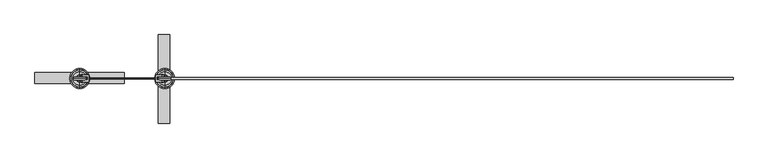
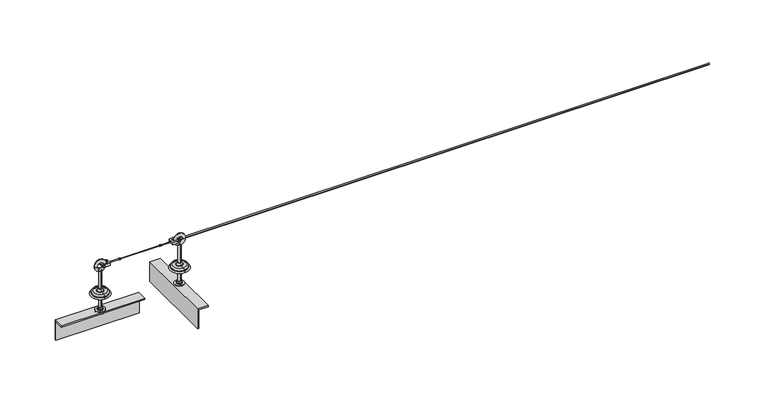
"""IFC4 building model written with IfcOpenShell, lengths in millimetres: proxy geometry."""

from ifc_helpers import new_model, si_unit, point, frame, frame_2d, origin, origin_2d, place, context, project, spatial, polyline, circle_curve, ellipse_curve, trimmed, segment, composite_curve, outline, extrude, source, transform, mapped, element, save
from ifc_brep_helpers import plane_surface, cylinder_surface, revolved_surface, advanced_brep


def specialty_equipment_365703ad(model_context):
    return source(origin(), model_context, "Body", "SolidModel", [
        advanced_brep(
        [(0.0, 45.0, 0.0), (0.0, -45.0, 0.0), (0.0, -7.0, 0.0), (0.0, 7.0, 0.0), (0.0, -7.0, -100.0), (0.0, 7.0, -100.0), (0.0, 0.0, -100.0), (0.0, 0.0, 121.6303144), (0.0, -6.9, 121.6303144), (0.0, 6.9, 121.6303144), (0.0, -6.9, 28.0512021), (0.0, 6.9, 28.0512021), (0.0, 7.995656, 24.9277269), (0.0, -7.995656, 24.9277269), (0.0, -13.6366177, 17.8765248), (0.0, 13.6366177, 17.8765248), (0.0, 17.5409617, 16.0), (0.0, -17.5409617, 16.0), (0.0, -30.1640518, 16.0), (0.0, 30.1640518, 16.0), (0.0, -37.6378375, 8.5262143), (0.0, 37.6378375, 8.5262143), (0.0, -37.6378375, 6.8656759), (0.0, 37.6378375, 6.8656759), (0.0, -38.448306, 5.8712826), (0.0, 38.448306, 5.8712826)],
        [
            (0, 1, circle_curve(frame((0.0, 0.0, 0.0), z_axis=(0.0, 0.0, -1.0), x_axis=(0.0, -1.0, 0.0)), 45.0)),
            (1, 2),
            (2, 3, circle_curve(frame((0.0, 0.0, 0.0), z_axis=(0.0, 0.0, 1.0), x_axis=(0.0, -1.0, 0.0)), 7.0)),
            (3, 0),
            (1, 0, circle_curve(frame((0.0, 0.0, 0.0), z_axis=(0.0, 0.0, -1.0), x_axis=(0.0, -1.0, 0.0)), 45.0)),
            (3, 2, circle_curve(frame((0.0, 0.0, 0.0), z_axis=(0.0, 0.0, 1.0), x_axis=(0.0, -1.0, 0.0)), 7.0)),
            (2, 4),
            (4, 5, circle_curve(frame((0.0, 0.0, -100.0), z_axis=(0.0, 0.0, 1.0), x_axis=(0.0, -1.0, 0.0)), 7.0)),
            (5, 3),
            (5, 4, circle_curve(frame((0.0, 0.0, -100.0), z_axis=(0.0, 0.0, 1.0), x_axis=(0.0, -1.0, 0.0)), 7.0)),
            (4, 6),
            (6, 5),
            (7, 8),
            (8, 9, circle_curve(frame((0.0, 0.0, 121.6303144), z_axis=(0.0, 0.0, 1.0), x_axis=(0.0, -1.0, 0.0)), 6.9)),
            (9, 7),
            (9, 8, circle_curve(frame((0.0, 0.0, 121.6303144), z_axis=(0.0, 0.0, 1.0), x_axis=(0.0, -1.0, 0.0)), 6.9)),
            (8, 10),
            (10, 11, circle_curve(frame((0.0, 0.0, 28.0512021), z_axis=(0.0, 0.0, 1.0), x_axis=(0.0, -1.0, 0.0)), 6.9)),
            (11, 9),
            (11, 10, circle_curve(frame((0.0, 0.0, 28.0512021), z_axis=(0.0, 0.0, 1.0), x_axis=(0.0, -1.0, 0.0)), 6.9)),
            (12, 13, circle_curve(frame((0.0, 0.0, 24.9277269), z_axis=(0.0, 0.0, -1.0), x_axis=(0.0, -1.0, 0.0)), 7.995656)),
            (13, 14),
            (14, 15, circle_curve(frame((0.0, 0.0, 17.8765248), z_axis=(0.0, 0.0, 1.0), x_axis=(0.0, -1.0, 0.0)), 13.6366177)),
            (15, 12),
            (13, 12, circle_curve(frame((0.0, 0.0, 24.9277269), z_axis=(0.0, 0.0, -1.0), x_axis=(0.0, -1.0, 0.0)), 7.995656)),
            (15, 14, circle_curve(frame((0.0, 0.0, 17.8765248), z_axis=(0.0, 0.0, 1.0), x_axis=(0.0, -1.0, 0.0)), 13.6366177)),
            (16, 17, circle_curve(frame((0.0, 0.0, 16.0), z_axis=(0.0, 0.0, -1.0), x_axis=(0.0, -1.0, 0.0)), 17.5409617)),
            (17, 18),
            (18, 19, circle_curve(frame((0.0, 0.0, 16.0), z_axis=(0.0, 0.0, 1.0), x_axis=(0.0, -1.0, 0.0)), 30.1640518)),
            (19, 16),
            (17, 16, circle_curve(frame((0.0, 0.0, 16.0), z_axis=(0.0, 0.0, -1.0), x_axis=(0.0, -1.0, 0.0)), 17.5409617)),
            (19, 18, circle_curve(frame((0.0, 0.0, 16.0), z_axis=(0.0, 0.0, 1.0), x_axis=(0.0, -1.0, 0.0)), 30.1640518)),
            (18, 20, circle_curve(frame((0.0, -30.1640518, 8.5262143), z_axis=(1.0, 0.0, 0.0), x_axis=(0.0, 1.0, 0.0)), 7.4737857)),
            (20, 21, circle_curve(frame((0.0, 0.0, 8.5262143), z_axis=(0.0, 0.0, 1.0), x_axis=(0.0, -1.0, 0.0)), 37.6378375)),
            (21, 19, circle_curve(frame((0.0, 30.1640518, 8.5262143), z_axis=(1.0, 0.0, 0.0), x_axis=(0.0, -1.0, 0.0)), 7.4737857)),
            (21, 20, circle_curve(frame((0.0, 0.0, 8.5262143), z_axis=(0.0, 0.0, 1.0), x_axis=(0.0, -1.0, 0.0)), 37.6378375)),
            (20, 22),
            (22, 23, circle_curve(frame((0.0, 0.0, 6.8656759), z_axis=(0.0, 0.0, 1.0), x_axis=(0.0, -1.0, 0.0)), 37.6378375)),
            (23, 21),
            (23, 22, circle_curve(frame((0.0, 0.0, 6.8656759), z_axis=(0.0, 0.0, 1.0), x_axis=(0.0, -1.0, 0.0)), 37.6378375)),
            (10, 13, circle_curve(frame((0.0, -11.9, 28.0512021), z_axis=(-1.0, 0.0, 0.0), x_axis=(0.0, 1.0, 0.0)), 5.0)),
            (12, 11, circle_curve(frame((0.0, 11.9, 28.0512021), z_axis=(-1.0, 0.0, 0.0), x_axis=(0.0, -1.0, 0.0)), 5.0)),
            (14, 17, circle_curve(frame((0.0, -17.5409617, 21.0), z_axis=(-1.0, 0.0, 0.0), x_axis=(0.0, 1.0, 0.0)), 5.0)),
            (16, 15, circle_curve(frame((0.0, 17.5409617, 21.0), z_axis=(-1.0, 0.0, 0.0), x_axis=(0.0, -1.0, 0.0)), 5.0)),
            (22, 24, circle_curve(frame((0.0, -38.6531003, 6.8656759), z_axis=(-1.0, 0.0, 0.0), x_axis=(0.0, 1.0, 0.0)), 1.0152629)),
            (24, 25, circle_curve(frame((0.0, 0.0, 5.8712826), z_axis=(0.0, 0.0, 1.0), x_axis=(0.0, -1.0, 0.0)), 38.448306)),
            (25, 23, circle_curve(frame((0.0, 38.6531003, 6.8656759), z_axis=(-1.0, 0.0, 0.0), x_axis=(0.0, -1.0, 0.0)), 1.0152629)),
            (25, 24, circle_curve(frame((0.0, 0.0, 5.8712826), z_axis=(0.0, 0.0, 1.0), x_axis=(0.0, -1.0, 0.0)), 38.448306)),
            (24, 1, circle_curve(frame((0.0, -36.6858246, -2.686569), z_axis=(1.0, 0.0, 0.0), x_axis=(0.0, 1.0, 0.0)), 8.7374576)),
            (0, 25, circle_curve(frame((0.0, 36.6858246, -2.686569), z_axis=(1.0, 0.0, 0.0), x_axis=(0.0, -1.0, 0.0)), 8.7374576)),
        ],
        [
            plane_surface(frame((0.0, 0.0, 0.0), z_axis=(0.0, 0.0, -1.0), x_axis=(0.0, -1.0, 0.0))),
            cylinder_surface(frame((0.0, 0.0, 93.0), z_axis=(0.0, 0.0, 1.0), x_axis=(0.0, -1.0, 0.0)), 7.0),
            plane_surface(frame((0.0, 0.0, -100.0), z_axis=(0.0, 0.0, -1.0), x_axis=(0.0, -1.0, 0.0))),
            plane_surface(frame((0.0, 0.0, 121.6303144), z_axis=(0.0, 0.0, 1.0), x_axis=(0.0, -1.0, 0.0))),
            cylinder_surface(frame((0.0, 0.0, 93.0), z_axis=(0.0, 0.0, 1.0), x_axis=(0.0, -1.0, 0.0)), 6.9),
            revolved_surface(polyline([(0.0, -13.6366177, 17.8765248), (0.0, -7.995656, 24.9277269)]), (0.0, 0.0, 93.0), (0.0, 0.0, 1.0)),
            plane_surface(frame((0.0, 0.0, 16.0), z_axis=(0.0, 0.0, 1.0), x_axis=(0.0, -1.0, 0.0))),
            revolved_surface(trimmed(ellipse_curve(frame((0.0, -30.1640518, 8.5262143), z_axis=(-1.0, 0.0, 0.0), x_axis=(0.0, 1.0, 0.0)), 7.4737857, 7.4737857), [point((0.0, -37.6378375, 8.5262143))], [point((0.0, -30.1640518, 16.0))], True, "CARTESIAN"), (0.0, 0.0, 93.0), (0.0, 0.0, 1.0)),
            cylinder_surface(frame((0.0, 0.0, 93.0), z_axis=(0.0, 0.0, 1.0), x_axis=(0.0, -1.0, 0.0)), 37.6378375),
            revolved_surface(trimmed(ellipse_curve(frame((0.0, -11.9, 28.0512021), z_axis=(1.0, 0.0, 0.0), x_axis=(0.0, 1.0, 0.0)), 5.0, 5.0), [point((0.0, -7.995656, 24.9277269))], [point((0.0, -6.9, 28.0512021))], True, "CARTESIAN"), (0.0, 0.0, 93.0), (0.0, 0.0, 1.0)),
            revolved_surface(trimmed(ellipse_curve(frame((0.0, -17.5409617, 21.0), z_axis=(1.0, 0.0, 0.0), x_axis=(0.0, 1.0, 0.0)), 5.0, 5.0), [point((0.0, -17.5409617, 16.0))], [point((0.0, -13.6366177, 17.8765248))], True, "CARTESIAN"), (0.0, 0.0, 93.0), (0.0, 0.0, 1.0)),
            revolved_surface(trimmed(ellipse_curve(frame((0.0, -38.6531003, 6.8656759), z_axis=(1.0, 0.0, 0.0), x_axis=(0.0, 1.0, 0.0)), 1.0152629, 1.0152629), [point((0.0, -38.448306, 5.8712826))], [point((0.0, -37.6378375, 6.8656759))], True, "CARTESIAN"), (0.0, 0.0, 93.0), (0.0, 0.0, 1.0)),
            revolved_surface(trimmed(ellipse_curve(frame((0.0, -36.6858246, -2.686569), z_axis=(-1.0, 0.0, 0.0), x_axis=(0.0, 1.0, 0.0)), 8.7374576, 8.7374576), [point((0.0, -45.0, 0.0))], [point((0.0, -38.448306, 5.8712826))], True, "CARTESIAN"), (0.0, 0.0, 93.0), (0.0, 0.0, 1.0)),
        ],
        [
            (0, [[1, 2, 3, 4]]),
            (0, [[5, -4, 6, -2]]),
            (1, [[-3, 7, 8, 9]]),
            (1, [[-6, -9, 10, -7]]),
            (2, [[-8, 11, 12]]),
            (2, [[-10, -12, -11]]),
            (3, [[13, 14, 15]]),
            (3, [[-15, 16, -13]]),
            (4, [[-14, 17, 18, 19]]),
            (4, [[-16, -19, 20, -17]]),
            (5, [[21, 22, 23, 24]]),
            (5, [[25, -24, 26, -22]]),
            (6, [[27, 28, 29, 30]]),
            (6, [[31, -30, 32, -28]]),
            (7, [[-29, 33, 34, 35]]),
            (7, [[-32, -35, 36, -33]]),
            (8, [[-34, 37, 38, 39]]),
            (8, [[-36, -39, 40, -37]]),
            (9, [[-18, 41, -21, 42]]),
            (9, [[-20, -42, -25, -41]]),
            (10, [[-23, 43, -27, 44]]),
            (10, [[-26, -44, -31, -43]]),
            (11, [[-38, 45, 46, 47]]),
            (11, [[-40, -47, 48, -45]]),
            (12, [[-46, 49, -1, 50]]),
            (12, [[-48, -50, -5, -49]]),
        ],
    ),
        advanced_brep(
        [(379.9756749, 7.0, 0.0), (379.9756749, -7.0, 0.0), (379.9756749, -45.0, 0.0), (379.9756749, 45.0, 0.0), (379.9756749, 7.0, -100.0), (379.9756749, -7.0, -100.0), (379.9756749, 0.0, -100.0), (379.9756749, 6.9, 121.6303144), (379.9756749, -6.9, 121.6303144), (379.9756749, 0.0, 121.6303144), (379.9756749, 6.9, 28.0512021), (379.9756749, -6.9, 28.0512021), (379.9756749, 13.6366177, 17.8765248), (379.9756749, -13.6366177, 17.8765248), (379.9756749, -7.995656, 24.9277269), (379.9756749, 7.995656, 24.9277269), (379.9756749, 30.1640518, 16.0), (379.9756749, -30.1640518, 16.0), (379.9756749, -17.5409617, 16.0), (379.9756749, 17.5409617, 16.0), (379.9756749, 37.6378375, 8.5262143), (379.9756749, -37.6378375, 8.5262143), (379.9756749, 37.6378375, 6.8656759), (379.9756749, -37.6378375, 6.8656759), (379.9756749, 38.448306, 5.8712826), (379.9756749, -38.448306, 5.8712826)],
        [
            (0, 1, circle_curve(frame((379.9756749, 0.0, 0.0), z_axis=(0.0, 0.0, 1.0), x_axis=(0.0, -1.0, 0.0)), 7.0)),
            (1, 2),
            (2, 3, circle_curve(frame((379.9756749, 0.0, 0.0), z_axis=(0.0, 0.0, -1.0), x_axis=(0.0, -1.0, 0.0)), 45.0)),
            (3, 0),
            (1, 0, circle_curve(frame((379.9756749, 0.0, 0.0), z_axis=(0.0, 0.0, 1.0), x_axis=(0.0, -1.0, 0.0)), 7.0)),
            (3, 2, circle_curve(frame((379.9756749, 0.0, 0.0), z_axis=(0.0, 0.0, -1.0), x_axis=(0.0, -1.0, 0.0)), 45.0)),
            (4, 5, circle_curve(frame((379.9756749, 0.0, -100.0), z_axis=(0.0, 0.0, 1.0), x_axis=(0.0, -1.0, 0.0)), 7.0)),
            (5, 1),
            (0, 4),
            (5, 4, circle_curve(frame((379.9756749, 0.0, -100.0), z_axis=(0.0, 0.0, 1.0), x_axis=(0.0, -1.0, 0.0)), 7.0)),
            (6, 5),
            (4, 6),
            (7, 8, circle_curve(frame((379.9756749, 0.0, 121.6303144), z_axis=(0.0, 0.0, 1.0), x_axis=(0.0, -1.0, 0.0)), 6.9)),
            (8, 9),
            (9, 7),
            (8, 7, circle_curve(frame((379.9756749, 0.0, 121.6303144), z_axis=(0.0, 0.0, 1.0), x_axis=(0.0, -1.0, 0.0)), 6.9)),
            (10, 11, circle_curve(frame((379.9756749, 0.0, 28.0512021), z_axis=(0.0, 0.0, 1.0), x_axis=(0.0, -1.0, 0.0)), 6.9)),
            (11, 8),
            (7, 10),
            (11, 10, circle_curve(frame((379.9756749, 0.0, 28.0512021), z_axis=(0.0, 0.0, 1.0), x_axis=(0.0, -1.0, 0.0)), 6.9)),
            (12, 13, circle_curve(frame((379.9756749, 0.0, 17.8765248), z_axis=(0.0, 0.0, 1.0), x_axis=(0.0, -1.0, 0.0)), 13.6366177)),
            (13, 14),
            (14, 15, circle_curve(frame((379.9756749, 0.0, 24.9277269), z_axis=(0.0, 0.0, -1.0), x_axis=(0.0, -1.0, 0.0)), 7.995656)),
            (15, 12),
            (13, 12, circle_curve(frame((379.9756749, 0.0, 17.8765248), z_axis=(0.0, 0.0, 1.0), x_axis=(0.0, -1.0, 0.0)), 13.6366177)),
            (15, 14, circle_curve(frame((379.9756749, 0.0, 24.9277269), z_axis=(0.0, 0.0, -1.0), x_axis=(0.0, -1.0, 0.0)), 7.995656)),
            (16, 17, circle_curve(frame((379.9756749, 0.0, 16.0), z_axis=(0.0, 0.0, 1.0), x_axis=(0.0, -1.0, 0.0)), 30.1640518)),
            (17, 18),
            (18, 19, circle_curve(frame((379.9756749, 0.0, 16.0), z_axis=(0.0, 0.0, -1.0), x_axis=(0.0, -1.0, 0.0)), 17.5409617)),
            (19, 16),
            (17, 16, circle_curve(frame((379.9756749, 0.0, 16.0), z_axis=(0.0, 0.0, 1.0), x_axis=(0.0, -1.0, 0.0)), 30.1640518)),
            (19, 18, circle_curve(frame((379.9756749, 0.0, 16.0), z_axis=(0.0, 0.0, -1.0), x_axis=(0.0, -1.0, 0.0)), 17.5409617)),
            (20, 21, circle_curve(frame((379.9756749, 0.0, 8.5262143), z_axis=(0.0, 0.0, 1.0), x_axis=(0.0, -1.0, 0.0)), 37.6378375)),
            (21, 17, circle_curve(frame((379.9756749, -30.1640518, 8.5262143), z_axis=(-1.0, 0.0, 0.0), x_axis=(0.0, 1.0, 0.0)), 7.4737857)),
            (16, 20, circle_curve(frame((379.9756749, 30.1640518, 8.5262143), z_axis=(-1.0, 0.0, 0.0), x_axis=(0.0, -1.0, 0.0)), 7.4737857)),
            (21, 20, circle_curve(frame((379.9756749, 0.0, 8.5262143), z_axis=(0.0, 0.0, 1.0), x_axis=(0.0, -1.0, 0.0)), 37.6378375)),
            (22, 23, circle_curve(frame((379.9756749, 0.0, 6.8656759), z_axis=(0.0, 0.0, 1.0), x_axis=(0.0, -1.0, 0.0)), 37.6378375)),
            (23, 21),
            (20, 22),
            (23, 22, circle_curve(frame((379.9756749, 0.0, 6.8656759), z_axis=(0.0, 0.0, 1.0), x_axis=(0.0, -1.0, 0.0)), 37.6378375)),
            (14, 11, circle_curve(frame((379.9756749, -11.9, 28.0512021), z_axis=(1.0, 0.0, 0.0), x_axis=(0.0, 1.0, 0.0)), 5.0)),
            (10, 15, circle_curve(frame((379.9756749, 11.9, 28.0512021), z_axis=(1.0, 0.0, 0.0), x_axis=(0.0, -1.0, 0.0)), 5.0)),
            (18, 13, circle_curve(frame((379.9756749, -17.5409617, 21.0), z_axis=(1.0, 0.0, 0.0), x_axis=(0.0, 1.0, 0.0)), 5.0)),
            (12, 19, circle_curve(frame((379.9756749, 17.5409617, 21.0), z_axis=(1.0, 0.0, 0.0), x_axis=(0.0, -1.0, 0.0)), 5.0)),
            (24, 25, circle_curve(frame((379.9756749, 0.0, 5.8712826), z_axis=(0.0, 0.0, 1.0), x_axis=(0.0, -1.0, 0.0)), 38.448306)),
            (25, 23, circle_curve(frame((379.9756749, -38.6531003, 6.8656759), z_axis=(1.0, 0.0, 0.0), x_axis=(0.0, 1.0, 0.0)), 1.0152629)),
            (22, 24, circle_curve(frame((379.9756749, 38.6531003, 6.8656759), z_axis=(1.0, 0.0, 0.0), x_axis=(0.0, -1.0, 0.0)), 1.0152629)),
            (25, 24, circle_curve(frame((379.9756749, 0.0, 5.8712826), z_axis=(0.0, 0.0, 1.0), x_axis=(0.0, -1.0, 0.0)), 38.448306)),
            (2, 25, circle_curve(frame((379.9756749, -36.6858246, -2.686569), z_axis=(-1.0, 0.0, 0.0), x_axis=(0.0, 1.0, 0.0)), 8.7374576)),
            (24, 3, circle_curve(frame((379.9756749, 36.6858246, -2.686569), z_axis=(-1.0, 0.0, 0.0), x_axis=(0.0, -1.0, 0.0)), 8.7374576)),
        ],
        [
            plane_surface(frame((379.9756749, 0.0, 0.0), z_axis=(0.0, 0.0, -1.0), x_axis=(0.0, -1.0, 0.0))),
            cylinder_surface(frame((379.9756749, 0.0, 93.0), z_axis=(0.0, 0.0, -1.0), x_axis=(0.0, -1.0, 0.0)), 7.0),
            plane_surface(frame((379.9756749, 0.0, -100.0), z_axis=(0.0, 0.0, -1.0), x_axis=(0.0, -1.0, 0.0))),
            plane_surface(frame((379.9756749, 0.0, 121.6303144), z_axis=(0.0, 0.0, 1.0), x_axis=(0.0, -1.0, 0.0))),
            cylinder_surface(frame((379.9756749, 0.0, 93.0), z_axis=(0.0, 0.0, -1.0), x_axis=(0.0, -1.0, 0.0)), 6.9),
            revolved_surface(polyline([(379.9756749, -7.995656, 24.9277269), (379.9756749, -13.6366177, 17.8765248)]), (379.9756749, 0.0, 93.0), (0.0, 0.0, -1.0)),
            plane_surface(frame((379.9756749, 0.0, 16.0), z_axis=(0.0, 0.0, 1.0), x_axis=(0.0, -1.0, 0.0))),
            revolved_surface(trimmed(ellipse_curve(frame((379.9756749, -30.1640518, 8.5262143), z_axis=(1.0, 0.0, 0.0), x_axis=(0.0, 1.0, 0.0)), 7.4737857, 7.4737857), [point((379.9756749, -30.1640518, 16.0))], [point((379.9756749, -37.6378375, 8.5262143))], True, "CARTESIAN"), (379.9756749, 0.0, 93.0), (0.0, 0.0, -1.0)),
            cylinder_surface(frame((379.9756749, 0.0, 93.0), z_axis=(0.0, 0.0, -1.0), x_axis=(0.0, -1.0, 0.0)), 37.6378375),
            revolved_surface(trimmed(ellipse_curve(frame((379.9756749, -11.9, 28.0512021), z_axis=(-1.0, 0.0, 0.0), x_axis=(0.0, 1.0, 0.0)), 5.0, 5.0), [point((379.9756749, -6.9, 28.0512021))], [point((379.9756749, -7.995656, 24.9277269))], True, "CARTESIAN"), (379.9756749, 0.0, 93.0), (0.0, 0.0, -1.0)),
            revolved_surface(trimmed(ellipse_curve(frame((379.9756749, -17.5409617, 21.0), z_axis=(-1.0, 0.0, 0.0), x_axis=(0.0, 1.0, 0.0)), 5.0, 5.0), [point((379.9756749, -13.6366177, 17.8765248))], [point((379.9756749, -17.5409617, 16.0))], True, "CARTESIAN"), (379.9756749, 0.0, 93.0), (0.0, 0.0, -1.0)),
            revolved_surface(trimmed(ellipse_curve(frame((379.9756749, -38.6531003, 6.8656759), z_axis=(-1.0, 0.0, 0.0), x_axis=(0.0, 1.0, 0.0)), 1.0152629, 1.0152629), [point((379.9756749, -37.6378375, 6.8656759))], [point((379.9756749, -38.448306, 5.8712826))], True, "CARTESIAN"), (379.9756749, 0.0, 93.0), (0.0, 0.0, -1.0)),
            revolved_surface(trimmed(ellipse_curve(frame((379.9756749, -36.6858246, -2.686569), z_axis=(1.0, 0.0, 0.0), x_axis=(0.0, 1.0, 0.0)), 8.7374576, 8.7374576), [point((379.9756749, -38.448306, 5.8712826))], [point((379.9756749, -45.0, 0.0))], True, "CARTESIAN"), (379.9756749, 0.0, 93.0), (0.0, 0.0, -1.0)),
        ],
        [
            (0, [[1, 2, 3, 4]]),
            (0, [[5, -4, 6, -2]]),
            (1, [[7, 8, -1, 9]]),
            (1, [[10, -9, -5, -8]]),
            (2, [[11, -7, 12]]),
            (2, [[-12, -10, -11]]),
            (3, [[13, 14, 15]]),
            (3, [[16, -15, -14]]),
            (4, [[17, 18, -13, 19]]),
            (4, [[20, -19, -16, -18]]),
            (5, [[21, 22, 23, 24]]),
            (5, [[25, -24, 26, -22]]),
            (6, [[27, 28, 29, 30]]),
            (6, [[31, -30, 32, -28]]),
            (7, [[33, 34, -27, 35]]),
            (7, [[36, -35, -31, -34]]),
            (8, [[37, 38, -33, 39]]),
            (8, [[40, -39, -36, -38]]),
            (9, [[-23, 41, -17, 42]]),
            (9, [[-26, -42, -20, -41]]),
            (10, [[-29, 43, -21, 44]]),
            (10, [[-32, -44, -25, -43]]),
            (11, [[45, 46, -37, 47]]),
            (11, [[48, -47, -40, -46]]),
            (12, [[-3, 49, -45, 50]]),
            (12, [[-6, -50, -48, -49]]),
        ],
    ),
        extrude(outline(polyline([(0.0378375, 147.2159586), (3.255952, 145.3579793), (3.255952, 141.6420207), (0.0378375, 139.7840414), (-3.1802771, 141.6420207), (-3.1802771, 145.3579793), (0.0378375, 147.2159586)])), frame((90.0, 0.0, 0.0), z_axis=(1.0, 0.0, 0.0), x_axis=(0.0, 1.0, 0.0)), (0.0, 0.0, 1.0), 6.0),
        extrude(outline(polyline([(0.0378375, 147.2159586), (3.255952, 145.3579793), (3.255952, 141.6420207), (0.0378375, 139.7840414), (-3.1802771, 141.6420207), (-3.1802771, 145.3579793), (0.0378375, 147.2159586)])), frame((283.9756749, 0.0, 0.0), z_axis=(1.0, 0.0, 0.0), x_axis=(0.0, 1.0, 0.0)), (0.0, 0.0, 1.0), 6.0),
        extrude(outline(composite_curve([segment(trimmed(circle_curve(frame_2d((0.0378375, 143.5)), 2.0), [point((0.0378375, 145.5))], [point((0.0378375, 141.5))], False, "CARTESIAN"), True, "CONTINUOUS"), segment(trimmed(circle_curve(frame_2d((0.0378375, 143.5)), 2.0), [point((0.0378375, 141.5))], [point((0.0378375, 145.5))], False, "CARTESIAN"), True, "CONTINUOUS")], self_intersect=False)), frame((289.9756749, 0.0, 0.0), z_axis=(1.0, 0.0, 0.0), x_axis=(0.0, 1.0, 0.0)), (0.0, 0.0, 1.0), 50.0),
        advanced_brep(
        [(95.9878375, 0.0, 144.9991883), (95.9878375, 0.0, 142.0008117), (95.9878375, 0.0, 143.5), (283.9878375, 0.0, 144.4598668), (283.9878375, 0.0, 142.5401332), (283.9878375, 0.0, 143.5)],
        [
            (0, 1, circle_curve(frame((95.9878375, 0.0, 143.5), z_axis=(-1.0, 0.0, 0.0), x_axis=(0.0, 0.0, -1.0)), 1.4991883)),
            (1, 2),
            (2, 0),
            (1, 0, circle_curve(frame((95.9878375, 0.0, 143.5), z_axis=(-1.0, 0.0, 0.0), x_axis=(0.0, 0.0, -1.0)), 1.4991883)),
            (3, 4, circle_curve(frame((283.9878375, 0.0, 143.5), z_axis=(-1.0, 0.0, 0.0), x_axis=(0.0, 0.0, -1.0)), 0.9598668)),
            (4, 1, circle_curve(frame((185.3156853, 0.0, 1770.9180993), z_axis=(0.0, 1.0, 0.0), x_axis=(1.0, 0.0, 0.0)), 1631.3647643)),
            (0, 3, circle_curve(frame((185.3156853, 0.0, -1483.9180993), z_axis=(0.0, 1.0, 0.0), x_axis=(1.0, 0.0, 0.0)), 1631.3647643)),
            (4, 3, circle_curve(frame((283.9878375, 0.0, 143.5), z_axis=(-1.0, 0.0, 0.0), x_axis=(0.0, 0.0, -1.0)), 0.9598668)),
            (5, 4),
            (3, 5),
        ],
        [
            plane_surface(frame((95.9878375, 0.0, 143.5), z_axis=(-1.0, 0.0, 0.0), x_axis=(0.0, 0.0, -1.0))),
            revolved_surface(trimmed(ellipse_curve(frame((185.3156853, 0.0, 1770.9180993), z_axis=(0.0, -1.0, 0.0), x_axis=(1.0, 0.0, 0.0)), 1631.3647643, 1631.3647643), [point((95.9878375, 0.0, 142.0008117))], [point((283.9878375, 0.0, 142.5401332))], True, "CARTESIAN"), (159.9878375, 0.0, 143.5), (1.0, 0.0, 0.0)),
            plane_surface(frame((283.9878375, 0.0, 143.5), z_axis=(1.0, 0.0, 0.0), x_axis=(0.0, 0.0, -1.0))),
        ],
        [
            (0, [[1, 2, 3]]),
            (0, [[4, -3, -2]]),
            (1, [[5, 6, -1, 7]]),
            (1, [[8, -7, -4, -6]]),
            (2, [[9, -5, 10]]),
            (2, [[-10, -8, -9]]),
        ],
    ),
        extrude(outline(composite_curve([segment(trimmed(circle_curve(frame_2d((0.0378375, 143.5)), 2.0), [point((0.0378375, 145.5))], [point((0.0378375, 141.5))], False, "CARTESIAN"), True, "CONTINUOUS"), segment(trimmed(circle_curve(frame_2d((0.0378375, 143.5)), 2.0), [point((0.0378375, 141.5))], [point((0.0378375, 145.5))], False, "CARTESIAN"), True, "CONTINUOUS")], self_intersect=False)), frame((40.0, 0.0, 0.0), z_axis=(1.0, 0.0, 0.0), x_axis=(0.0, 1.0, 0.0)), (0.0, 0.0, 1.0), 50.0),
        extrude(outline(composite_curve([segment(trimmed(circle_curve(frame_2d((143.5, 369.6567828)), 4.0), [point((143.5, 373.6567828))], [point((143.5, 365.6567828))], False, "CARTESIAN"), True, "CONTINUOUS"), segment(trimmed(circle_curve(frame_2d((143.5, 369.6567828)), 4.0), [point((143.5, 365.6567828))], [point((143.5, 373.6567828))], False, "CARTESIAN"), True, "CONTINUOUS")], self_intersect=False)), frame((0.0, -7.7810663, 0.0), z_axis=(0.0, 1.0, 0.0), x_axis=(0.0, 0.0, 1.0)), (0.0, 0.0, 1.0), 15.6923596),
        advanced_brep(
        [(339.9756749, -15.0, 137.1597348), (369.6324577, -15.0, 137.1597348), (369.6324577, -15.0, 149.8402652), (339.9756749, -15.0, 149.8402652), (339.9756749, 15.0, 137.1597348), (339.9756749, 15.0, 149.8402652), (369.6324577, 15.0, 149.8402652), (369.6324577, 15.0, 137.1597348), (369.6324577, -7.7810663, 137.1597348), (369.6324577, -7.7810663, 149.8402652), (369.6324577, 7.9112933, 149.8402652), (369.6324577, 7.9112933, 137.1597348), (344.9756749, -7.7810663, 149.8402652), (344.9756749, 7.9112933, 149.8402652), (344.9756749, 7.9112933, 137.1597348), (344.9756749, -7.7810663, 137.1597348)],
        [
            (0, 1),
            (1, 2, circle_curve(frame((369.6324577, -15.0, 143.5), z_axis=(0.0, -1.0, 0.0), x_axis=(-1.0, 0.0, 0.0)), 6.3402652)),
            (2, 3),
            (3, 0),
            (4, 5),
            (5, 6),
            (6, 7, circle_curve(frame((369.6324577, 15.0, 143.5), z_axis=(0.0, 1.0, 0.0), x_axis=(-1.0, 0.0, 0.0)), 6.3402652)),
            (7, 4),
            (3, 5),
            (4, 0),
            (1, 8),
            (8, 9, circle_curve(frame((369.6324577, -7.7810663, 143.5), z_axis=(0.0, -1.0, 0.0), x_axis=(-1.0, 0.0, 0.0)), 6.3402652)),
            (9, 2),
            (6, 10),
            (10, 11, circle_curve(frame((369.6324577, 7.9112933, 143.5), z_axis=(0.0, 1.0, 0.0), x_axis=(-1.0, 0.0, 0.0)), 6.3402652)),
            (11, 7),
            (9, 12),
            (12, 13),
            (13, 10),
            (11, 14),
            (14, 15),
            (15, 8),
            (14, 13),
            (12, 15),
        ],
        [
            plane_surface(frame((369.6324577, -15.0, 137.1597348), z_axis=(0.0, -1.0, 0.0), x_axis=(1.0, 0.0, 0.0))),
            plane_surface(frame((369.6324577, 15.0, 137.1597348), z_axis=(0.0, 1.0, 0.0), x_axis=(-1.0, 0.0, 0.0))),
            plane_surface(frame((339.9756749, -15.0, 149.8402652), z_axis=(-1.0, 0.0, 0.0), x_axis=(0.0, 1.0, 0.0))),
            cylinder_surface(frame((369.6324577, 15.0, 143.5), z_axis=(0.0, -1.0, 0.0), x_axis=(-1.0, 0.0, 0.0)), 6.3402652),
            plane_surface(frame((369.6324577, -15.0, 149.8402652), z_axis=(0.0, 0.0, 1.0), x_axis=(0.0, 1.0, 0.0))),
            plane_surface(frame((339.9756749, -15.0, 137.1597348), z_axis=(0.0, 0.0, -1.0), x_axis=(0.0, 1.0, 0.0))),
            plane_surface(frame((344.9756749, -7.7810663, 137.1597348), z_axis=(1.0, 0.0, 0.0), x_axis=(0.0, 0.0, 1.0))),
            plane_surface(frame((379.9756749, -7.7810663, 137.1597348), z_axis=(0.0, 1.0, 0.0), x_axis=(0.0, 0.0, 1.0))),
            plane_surface(frame((344.9756749, 7.9112933, 137.1597348), z_axis=(0.0, -1.0, 0.0), x_axis=(0.0, 0.0, 1.0))),
        ],
        [
            (0, [[1, 2, 3, 4]]),
            (1, [[5, 6, 7, 8]]),
            (2, [[-4, 9, -5, 10]]),
            (3, [[-2, 11, 12, 13]]),
            (3, [[-7, 14, 15, 16]]),
            (4, [[-3, -13, 17, 18, 19, -14, -6, -9]]),
            (5, [[-1, -10, -8, -16, 20, 21, 22, -11]]),
            (6, [[23, -18, 24, -21]]),
            (7, [[-24, -17, -12, -22]]),
            (8, [[-23, -20, -15, -19]]),
        ],
    ),
        extrude(outline(composite_curve([segment(trimmed(circle_curve(frame_2d((143.5, 10.3432172)), 4.0), [point((143.5, 6.3432172))], [point((143.5, 14.3432172))], False, "CARTESIAN"), True, "CONTINUOUS"), segment(trimmed(circle_curve(frame_2d((143.5, 10.3432172)), 4.0), [point((143.5, 14.3432172))], [point((143.5, 6.3432172))], False, "CARTESIAN"), True, "CONTINUOUS")], self_intersect=False)), frame((0.0, -7.7810663, 0.0), z_axis=(0.0, 1.0, 0.0), x_axis=(0.0, 0.0, 1.0)), (0.0, 0.0, 1.0), 15.6923596),
        advanced_brep(
        [(-14.5545757, 0.0, 143.5), (14.5545757, 0.0, 143.5), (28.5545757, 0.0, 143.5), (-28.5545757, 0.0, 143.5)],
        [
            (0, 1, circle_curve(frame((0.0, 0.0, 143.5), z_axis=(0.0, 1.0, 0.0), x_axis=(1.0, 0.0, 0.0)), 14.5545757)),
            (1, 2, circle_curve(frame((21.5545757, 0.0, 143.5), z_axis=(0.0, 0.0, 1.0), x_axis=(-1.0, 0.0, 0.0)), 7.0)),
            (2, 3, circle_curve(frame((0.0, 0.0, 143.5), z_axis=(0.0, -1.0, 0.0), x_axis=(1.0, 0.0, 0.0)), 28.5545757)),
            (3, 0, circle_curve(frame((-21.5545757, 0.0, 143.5), z_axis=(0.0, 0.0, 1.0), x_axis=(1.0, 0.0, 0.0)), 7.0)),
            (2, 1, circle_curve(frame((21.5545757, 0.0, 143.5), z_axis=(0.0, 0.0, 1.0), x_axis=(-1.0, 0.0, 0.0)), 7.0)),
            (0, 3, circle_curve(frame((-21.5545757, 0.0, 143.5), z_axis=(0.0, 0.0, 1.0), x_axis=(1.0, 0.0, 0.0)), 7.0)),
            (1, 0, circle_curve(frame((0.0, 0.0, 143.5), z_axis=(0.0, 1.0, 0.0), x_axis=(-1.0, 0.0, 0.0)), 14.5545757)),
            (3, 2, circle_curve(frame((0.0, 0.0, 143.5), z_axis=(0.0, -1.0, 0.0), x_axis=(-1.0, 0.0, 0.0)), 28.5545757)),
        ],
        [
            revolved_surface(trimmed(ellipse_curve(frame((21.5545757, 0.0, 143.5), z_axis=(0.0, 0.0, -1.0), x_axis=(-1.0, 0.0, 0.0)), 7.0, 7.0), [point((28.5545757, 0.0, 143.5))], [point((14.5545757, 0.0, 143.5))], True, "CARTESIAN"), (0.0, 0.0, 143.5), (0.0, -1.0, 0.0)),
            revolved_surface(trimmed(ellipse_curve(frame((21.5545757, 0.0, 143.5), z_axis=(0.0, 0.0, -1.0), x_axis=(-1.0, 0.0, 0.0)), 7.0, 7.0), [point((14.5545757, 0.0, 143.5))], [point((28.5545757, 0.0, 143.5))], True, "CARTESIAN"), (0.0, 0.0, 143.5), (0.0, -1.0, 0.0)),
            revolved_surface(trimmed(ellipse_curve(frame((-21.5545757, 0.0, 143.5), z_axis=(0.0, 0.0, 1.0), x_axis=(1.0, 0.0, 0.0)), 7.0, 7.0), [point((-28.5545757, 0.0, 143.5))], [point((-14.5545757, 0.0, 143.5))], True, "CARTESIAN"), (0.0, 0.0, 143.5), (0.0, -1.0, 0.0)),
            revolved_surface(trimmed(ellipse_curve(frame((-21.5545757, 0.0, 143.5), z_axis=(0.0, 0.0, 1.0), x_axis=(1.0, 0.0, 0.0)), 7.0, 7.0), [point((-14.5545757, 0.0, 143.5))], [point((-28.5545757, 0.0, 143.5))], True, "CARTESIAN"), (0.0, 0.0, 143.5), (0.0, -1.0, 0.0)),
        ],
        [
            (0, [[1, 2, 3, 4]]),
            (1, [[-3, 5, -1, 6]]),
            (2, [[7, -4, 8, -2]]),
            (3, [[-8, -6, -7, -5]]),
        ],
    ),
        extrude(outline(composite_curve([segment(trimmed(circle_curve(frame_2d((143.5, 369.6324577)), 4.0), [point((143.5, 365.6324577))], [point((143.5, 373.6324577))], False, "CARTESIAN"), True, "CONTINUOUS"), segment(trimmed(circle_curve(frame_2d((143.5, 369.6324577)), 4.0), [point((143.5, 373.6324577))], [point((143.5, 365.6324577))], False, "CARTESIAN"), True, "CONTINUOUS")], self_intersect=False)), frame((0.0, 15.0, 0.0), z_axis=(0.0, 1.0, 0.0), x_axis=(0.0, 0.0, 1.0)), (0.0, 0.0, 1.0), 3.0),
        extrude(outline(composite_curve([segment(trimmed(circle_curve(frame_2d((143.5, 369.6324577)), 4.0), [point((143.5, 373.6324577))], [point((143.5, 365.6324577))], False, "CARTESIAN"), True, "CONTINUOUS"), segment(trimmed(circle_curve(frame_2d((143.5, 369.6324577)), 4.0), [point((143.5, 365.6324577))], [point((143.5, 373.6324577))], False, "CARTESIAN"), True, "CONTINUOUS")], self_intersect=False)), frame((0.0, -18.0, 0.0), z_axis=(0.0, 1.0, 0.0), x_axis=(0.0, 0.0, 1.0)), (0.0, 0.0, 1.0), 3.0),
        extrude(outline(composite_curve([segment(trimmed(circle_curve(frame_2d((143.5, 10.3432172)), 4.0), [point((143.5, 14.3432172))], [point((143.5, 6.3432172))], False, "CARTESIAN"), True, "CONTINUOUS"), segment(trimmed(circle_curve(frame_2d((143.5, 10.3432172)), 4.0), [point((143.5, 6.3432172))], [point((143.5, 14.3432172))], False, "CARTESIAN"), True, "CONTINUOUS")], self_intersect=False)), frame((0.0, 15.0, 0.0), z_axis=(0.0, 1.0, 0.0), x_axis=(0.0, 0.0, 1.0)), (0.0, 0.0, 1.0), 3.0),
        extrude(outline(composite_curve([segment(trimmed(circle_curve(frame_2d((143.5, 10.3432172)), 4.0), [point((143.5, 6.3432172))], [point((143.5, 14.3432172))], False, "CARTESIAN"), True, "CONTINUOUS"), segment(trimmed(circle_curve(frame_2d((143.5, 10.3432172)), 4.0), [point((143.5, 14.3432172))], [point((143.5, 6.3432172))], False, "CARTESIAN"), True, "CONTINUOUS")], self_intersect=False)), frame((0.0, -18.0, 0.0), z_axis=(0.0, 1.0, 0.0), x_axis=(0.0, 0.0, 1.0)), (0.0, 0.0, 1.0), 3.0),
        advanced_brep(
        [(40.0, -15.0, 137.1597348), (40.0, -15.0, 149.8402652), (10.3432172, -15.0, 149.8402652), (10.3432172, -15.0, 137.1597348), (40.0, 15.0, 137.1597348), (10.3432172, 15.0, 137.1597348), (10.3432172, 15.0, 149.8402652), (40.0, 15.0, 149.8402652), (10.3432172, -7.7810663, 149.8402652), (10.3432172, -7.7810663, 137.1597348), (10.3432172, 7.9112933, 137.1597348), (10.3432172, 7.9112933, 149.8402652), (35.0, 7.9112933, 149.8402652), (35.0, -7.7810663, 149.8402652), (35.0, -7.7810663, 137.1597348), (35.0, 7.9112933, 137.1597348)],
        [
            (0, 1),
            (1, 2),
            (2, 3, circle_curve(frame((10.3432172, -15.0, 143.5), z_axis=(0.0, -1.0, 0.0), x_axis=(1.0, 0.0, 0.0)), 6.3402652)),
            (3, 0),
            (4, 5),
            (5, 6, circle_curve(frame((10.3432172, 15.0, 143.5), z_axis=(0.0, 1.0, 0.0), x_axis=(1.0, 0.0, 0.0)), 6.3402652)),
            (6, 7),
            (7, 4),
            (0, 4),
            (7, 1),
            (2, 8),
            (8, 9, circle_curve(frame((10.3432172, -7.7810663, 143.5), z_axis=(0.0, -1.0, 0.0), x_axis=(1.0, 0.0, 0.0)), 6.3402652)),
            (9, 3),
            (5, 10),
            (10, 11, circle_curve(frame((10.3432172, 7.9112933, 143.5), z_axis=(0.0, 1.0, 0.0), x_axis=(1.0, 0.0, 0.0)), 6.3402652)),
            (11, 6),
            (11, 12),
            (12, 13),
            (13, 8),
            (9, 14),
            (14, 15),
            (15, 10),
            (14, 13),
            (12, 15),
        ],
        [
            plane_surface(frame((40.0, -15.0, 149.8402652), z_axis=(0.0, -1.0, 0.0), x_axis=(0.0, 0.0, 1.0))),
            plane_surface(frame((40.0, 15.0, 149.8402652), z_axis=(0.0, 1.0, 0.0), x_axis=(0.0, 0.0, -1.0))),
            plane_surface(frame((40.0, -15.0, 137.1597348), z_axis=(1.0, 0.0, 0.0), x_axis=(0.0, 1.0, 0.0))),
            cylinder_surface(frame((10.3432172, 15.0, 143.5), z_axis=(0.0, -1.0, 0.0), x_axis=(1.0, 0.0, 0.0)), 6.3402652),
            plane_surface(frame((40.0, -15.0, 149.8402652), z_axis=(0.0, 0.0, 1.0), x_axis=(0.0, 1.0, 0.0))),
            plane_surface(frame((10.3432172, -15.0, 137.1597348), z_axis=(0.0, 0.0, -1.0), x_axis=(0.0, 1.0, 0.0))),
            plane_surface(frame((35.0, 7.9112933, 137.1597348), z_axis=(-1.0, 0.0, 0.0), x_axis=(0.0, 0.0, 1.0))),
            plane_surface(frame((35.0, -7.7810663, 137.1597348), z_axis=(0.0, 1.0, 0.0), x_axis=(0.0, 0.0, 1.0))),
            plane_surface(frame((0.0, 7.9112933, 137.1597348), z_axis=(0.0, -1.0, 0.0), x_axis=(0.0, 0.0, 1.0))),
        ],
        [
            (0, [[1, 2, 3, 4]]),
            (1, [[5, 6, 7, 8]]),
            (2, [[-1, 9, -8, 10]]),
            (3, [[-3, 11, 12, 13]]),
            (3, [[-6, 14, 15, 16]]),
            (4, [[-2, -10, -7, -16, 17, 18, 19, -11]]),
            (5, [[-4, -13, 20, 21, 22, -14, -5, -9]]),
            (6, [[23, -18, 24, -21]]),
            (7, [[-23, -20, -12, -19]]),
            (8, [[-24, -17, -15, -22]]),
        ],
    ),
        extrude(outline(polyline([(27.5, -81.0), (27.5, -181.0), (21.5, -181.0), (21.5, -87.0), (-22.5, -87.0), (-22.5, -81.0), (27.5, -81.0)])), frame((-200.0243251, 0.0, 0.0), z_axis=(1.0, 0.0, 0.0), x_axis=(0.0, 1.0, 0.0)), (0.0, 0.0, 1.0), 400.0),
        extrude(outline(polyline([(10.3679798, 0.1378375), (5.1718274, -8.8621625), (-5.2204775, -8.8621625), (-10.4166299, 0.1378375), (-5.2204775, 9.1378375), (5.1718274, 9.1378375), (10.3679798, 0.1378375)]), holes=[composite_curve([segment(trimmed(circle_curve(frame_2d((-0.0243251, 0.1378375)), 7.0), [point((-0.0243251, 7.1378375))], [point((-0.0243251, -6.8621625))], True, "CARTESIAN"), True, "CONTINUOUS"), segment(trimmed(circle_curve(frame_2d((-0.0243251, 0.1378375)), 7.0), [point((-0.0243251, -6.8621625))], [point((-0.0243251, 7.1378375))], True, "CARTESIAN"), True, "CONTINUOUS")], self_intersect=False)]), frame((0.0, 0.0, -75.0), z_axis=(0.0, 0.0, 1.0), x_axis=(1.0, 0.0, 0.0)), (0.0, 0.0, 1.0), 10.0),
        extrude(outline(composite_curve([segment(trimmed(circle_curve(frame_2d((-0.5243251, 0.1378375)), 13.0), [point((-0.5243251, 13.1378375))], [point((-0.5243251, -12.8621625))], False, "CARTESIAN"), True, "CONTINUOUS"), segment(trimmed(circle_curve(frame_2d((-0.5243251, 0.1378375)), 13.0), [point((-0.5243251, -12.8621625))], [point((-0.5243251, 13.1378375))], False, "CARTESIAN"), True, "CONTINUOUS")], self_intersect=False)), frame((0.0, 0.0, -78.0), z_axis=(0.0, 0.0, 1.0), x_axis=(1.0, 0.0, 0.0)), (0.0, 0.0, 1.0), 3.0),
        extrude(outline(composite_curve([segment(trimmed(circle_curve(frame_2d((-0.5243251, 0.1378375)), 22.5), [point((-0.5243251, 22.6378375))], [point((-0.5243251, -22.3621625))], False, "CARTESIAN"), True, "CONTINUOUS"), segment(trimmed(circle_curve(frame_2d((-0.5243251, 0.1378375)), 22.5), [point((-0.5243251, -22.3621625))], [point((-0.5243251, 22.6378375))], False, "CARTESIAN"), True, "CONTINUOUS")], self_intersect=False)), frame((0.0, 0.0, -81.0), z_axis=(0.0, 0.0, 1.0), x_axis=(1.0, 0.0, 0.0)), (0.0, 0.0, 1.0), 3.0),
        extrude(outline(composite_curve([segment(trimmed(circle_curve(frame_2d((-0.5, 0.0)), 21.2), [point((-0.5, -21.2))], [point((-0.5, 21.2))], False, "CARTESIAN"), True, "CONTINUOUS"), segment(trimmed(circle_curve(frame_2d((-0.5, 0.0)), 21.2), [point((-0.5, 21.2))], [point((-0.5, -21.2))], False, "CARTESIAN"), True, "CONTINUOUS")], self_intersect=False)), frame((0.0, 0.0, -90.0), z_axis=(0.0, 0.0, 1.0), x_axis=(1.0, 0.0, 0.0)), (0.0, 0.0, 1.0), 3.0),
        extrude(outline(polyline([(10.3923048, 0.0), (5.1961524, -9.0), (-5.1961524, -9.0), (-10.3923048, 0.0), (-5.1961524, 9.0), (5.1961524, 9.0), (10.3923048, 0.0)]), holes=[composite_curve([segment(trimmed(circle_curve(origin_2d(), 7.0), [point((0.0, -7.0))], [point((0.0, 7.0))], True, "CARTESIAN"), True, "CONTINUOUS"), segment(trimmed(circle_curve(origin_2d(), 7.0), [point((0.0, 7.0))], [point((0.0, -7.0))], True, "CARTESIAN"), True, "CONTINUOUS")], self_intersect=False)]), frame((0.0, 0.0, -100.0), z_axis=(0.0, 0.0, 1.0), x_axis=(1.0, 0.0, 0.0)), (0.0, 0.0, 1.0), 10.0),
        extrude(outline(polyline([(390.3679798, 0.1378375), (385.1718274, -8.8621625), (374.7795225, -8.8621625), (369.5833701, 0.1378375), (374.7795225, 9.1378375), (385.1718274, 9.1378375), (390.3679798, 0.1378375)]), holes=[composite_curve([segment(trimmed(circle_curve(frame_2d((379.9756749, 0.1378375)), 7.0), [point((379.9756749, 7.1378375))], [point((379.9756749, -6.8621625))], True, "CARTESIAN"), True, "CONTINUOUS"), segment(trimmed(circle_curve(frame_2d((379.9756749, 0.1378375)), 7.0), [point((379.9756749, -6.8621625))], [point((379.9756749, 7.1378375))], True, "CARTESIAN"), True, "CONTINUOUS")], self_intersect=False)]), frame((0.0, 0.0, -75.0), z_axis=(0.0, 0.0, 1.0), x_axis=(1.0, 0.0, 0.0)), (0.0, 0.0, 1.0), 10.0),
        advanced_brep(
        [(365.4210992, 0.0, 143.5), (394.5302506, 0.0, 143.5), (408.5302506, 0.0, 143.5), (351.4210992, 0.0, 143.5)],
        [
            (0, 1, circle_curve(frame((379.9756749, 0.0, 143.5), z_axis=(0.0, 1.0, 0.0), x_axis=(1.0, 0.0, 0.0)), 14.5545757)),
            (1, 2, circle_curve(frame((401.5302506, 0.0, 143.5), z_axis=(0.0, 0.0, 1.0), x_axis=(-1.0, 0.0, 0.0)), 7.0)),
            (2, 3, circle_curve(frame((379.9756749, 0.0, 143.5), z_axis=(0.0, -1.0, 0.0), x_axis=(1.0, 0.0, 0.0)), 28.5545757)),
            (3, 0, circle_curve(frame((358.4210992, 0.0, 143.5), z_axis=(0.0, 0.0, 1.0), x_axis=(1.0, 0.0, 0.0)), 7.0)),
            (2, 1, circle_curve(frame((401.5302506, 0.0, 143.5), z_axis=(0.0, 0.0, 1.0), x_axis=(-1.0, 0.0, 0.0)), 7.0)),
            (0, 3, circle_curve(frame((358.4210992, 0.0, 143.5), z_axis=(0.0, 0.0, 1.0), x_axis=(1.0, 0.0, 0.0)), 7.0)),
            (1, 0, circle_curve(frame((379.9756749, 0.0, 143.5), z_axis=(0.0, 1.0, 0.0), x_axis=(-1.0, 0.0, 0.0)), 14.5545757)),
            (3, 2, circle_curve(frame((379.9756749, 0.0, 143.5), z_axis=(0.0, -1.0, 0.0), x_axis=(-1.0, 0.0, 0.0)), 28.5545757)),
        ],
        [
            revolved_surface(trimmed(ellipse_curve(frame((401.5302506, 0.0, 143.5), z_axis=(0.0, 0.0, -1.0), x_axis=(-1.0, 0.0, 0.0)), 7.0, 7.0), [point((408.5302506, 0.0, 143.5))], [point((394.5302506, 0.0, 143.5))], True, "CARTESIAN"), (379.9756749, 0.0, 143.5), (0.0, -1.0, 0.0)),
            revolved_surface(trimmed(ellipse_curve(frame((401.5302506, 0.0, 143.5), z_axis=(0.0, 0.0, -1.0), x_axis=(-1.0, 0.0, 0.0)), 7.0, 7.0), [point((394.5302506, 0.0, 143.5))], [point((408.5302506, 0.0, 143.5))], True, "CARTESIAN"), (379.9756749, 0.0, 143.5), (0.0, -1.0, 0.0)),
            revolved_surface(trimmed(ellipse_curve(frame((358.4210992, 0.0, 143.5), z_axis=(0.0, 0.0, 1.0), x_axis=(1.0, 0.0, 0.0)), 7.0, 7.0), [point((351.4210992, 0.0, 143.5))], [point((365.4210992, 0.0, 143.5))], True, "CARTESIAN"), (379.9756749, 0.0, 143.5), (0.0, -1.0, 0.0)),
            revolved_surface(trimmed(ellipse_curve(frame((358.4210992, 0.0, 143.5), z_axis=(0.0, 0.0, 1.0), x_axis=(1.0, 0.0, 0.0)), 7.0, 7.0), [point((365.4210992, 0.0, 143.5))], [point((351.4210992, 0.0, 143.5))], True, "CARTESIAN"), (379.9756749, 0.0, 143.5), (0.0, -1.0, 0.0)),
        ],
        [
            (0, [[1, 2, 3, 4]]),
            (1, [[-3, 5, -1, 6]]),
            (2, [[7, -4, 8, -2]]),
            (3, [[-8, -6, -7, -5]]),
        ],
    ),
        extrude(outline(composite_curve([segment(trimmed(circle_curve(frame_2d((379.4756749, 0.1378375)), 13.0), [point((379.4756749, 13.1378375))], [point((379.4756749, -12.8621625))], False, "CARTESIAN"), True, "CONTINUOUS"), segment(trimmed(circle_curve(frame_2d((379.4756749, 0.1378375)), 13.0), [point((379.4756749, -12.8621625))], [point((379.4756749, 13.1378375))], False, "CARTESIAN"), True, "CONTINUOUS")], self_intersect=False)), frame((0.0, 0.0, -78.0), z_axis=(0.0, 0.0, 1.0), x_axis=(1.0, 0.0, 0.0)), (0.0, 0.0, 1.0), 3.0),
        extrude(outline(composite_curve([segment(trimmed(circle_curve(frame_2d((379.4756749, 0.1378375)), 22.5), [point((379.4756749, 22.6378375))], [point((379.4756749, -22.3621625))], False, "CARTESIAN"), True, "CONTINUOUS"), segment(trimmed(circle_curve(frame_2d((379.4756749, 0.1378375)), 22.5), [point((379.4756749, -22.3621625))], [point((379.4756749, 22.6378375))], False, "CARTESIAN"), True, "CONTINUOUS")], self_intersect=False)), frame((0.0, 0.0, -81.0), z_axis=(0.0, 0.0, 1.0), x_axis=(1.0, 0.0, 0.0)), (0.0, 0.0, 1.0), 3.0),
        extrude(outline(polyline([(-81.0, 351.9756749), (-181.0, 351.9756749), (-181.0, 357.9756749), (-87.0, 357.9756749), (-87.0, 401.9756749), (-81.0, 401.9756749), (-81.0, 351.9756749)])), frame((0.0, -200.1378375, 0.0), z_axis=(0.0, 1.0, 0.0), x_axis=(0.0, 0.0, 1.0)), (0.0, 0.0, 1.0), 396.0),
        extrude(outline(composite_curve([segment(trimmed(circle_curve(frame_2d((379.4756749, 0.0)), 21.3), [point((379.4756749, -21.3))], [point((379.4756749, 21.3))], False, "CARTESIAN"), True, "CONTINUOUS"), segment(trimmed(circle_curve(frame_2d((379.4756749, 0.0)), 21.3), [point((379.4756749, 21.3))], [point((379.4756749, -21.3))], False, "CARTESIAN"), True, "CONTINUOUS")], self_intersect=False)), frame((0.0, 0.0, -90.0), z_axis=(0.0, 0.0, 1.0), x_axis=(1.0, 0.0, 0.0)), (0.0, 0.0, 1.0), 3.0),
        extrude(outline(polyline([(390.3679798, 0.0), (385.1718274, -9.0), (374.7795225, -9.0), (369.5833701, 0.0), (374.7795225, 9.0), (385.1718274, 9.0), (390.3679798, 0.0)]), holes=[composite_curve([segment(trimmed(circle_curve(frame_2d((379.9756749, 0.0)), 7.0), [point((379.9756749, -7.0))], [point((379.9756749, 7.0))], True, "CARTESIAN"), True, "CONTINUOUS"), segment(trimmed(circle_curve(frame_2d((379.9756749, 0.0)), 7.0), [point((379.9756749, 7.0))], [point((379.9756749, -7.0))], True, "CARTESIAN"), True, "CONTINUOUS")], self_intersect=False)]), frame((0.0, 0.0, -100.0), z_axis=(0.0, 0.0, 1.0), x_axis=(1.0, 0.0, 0.0)), (0.0, 0.0, 1.0), 10.0),
        extrude(outline(composite_curve([segment(trimmed(circle_curve(frame_2d((0.0, 143.5)), 4.0), [point((-4.0, 143.5))], [point((4.0, 143.5))], False, "CARTESIAN"), True, "CONTINUOUS"), segment(trimmed(circle_curve(frame_2d((0.0, 143.5)), 4.0), [point((4.0, 143.5))], [point((-4.0, 143.5))], False, "CARTESIAN"), True, "CONTINUOUS")], self_intersect=False)), frame((380.0, 0.0, 0.0), z_axis=(1.0, 0.0, 0.0), x_axis=(0.0, 1.0, 0.0)), (0.0, 0.0, 1.0), 2540.0),
    ])


if __name__ == "__main__":
    model = new_model("IFC4")
    model_context = context("Model", 3, world=origin())
    ifc_project = project(units=[si_unit("LENGTHUNIT", "METRE", prefix="MILLI")], contexts=[model_context])
    site = spatial("IfcSite", under=ifc_project)
    building = spatial("IfcBuilding", under=site)
    placement = place(None, origin())
    specialty_equipment_shape = specialty_equipment_365703ad(model_context)
    element("IfcBuildingElementProxy", 1, Name="Specialty Equipment", at=placement, inside=building, context=model_context, shape_type="MappedRepresentation", body=[
        mapped(specialty_equipment_shape, transform((0.0, 0.0, 0.0), x_axis=(1.0, 0.0, 0.0), y_axis=(0.0, 1.0, 0.0), z_axis=(0.0, 0.0, 1.0))),
    ])
    save(model, "model.ifc")
